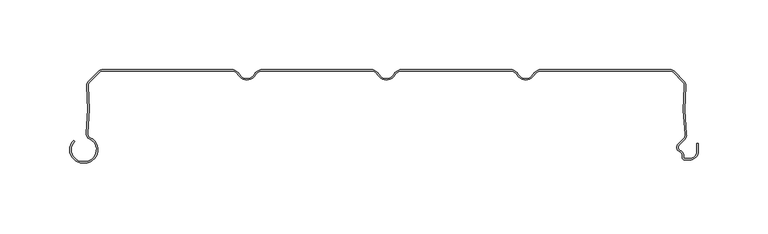
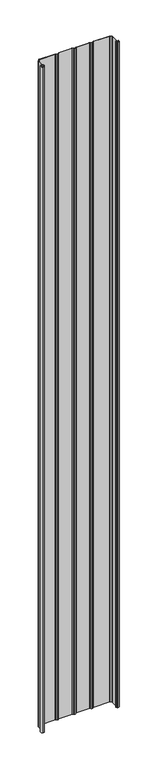
"""IFC4 building model written with IfcOpenShell, lengths in millimetres: plate geometry."""

from ifc_helpers import new_model, si_unit, point, frame_2d, origin, origin_with_axes, place, context, project, spatial, polyline, circle_curve, trimmed, segment, composite_curve, outline, extrude, source, transform, mapped, element, save


def plate_1b81568b(model_context):
    return source(origin(), model_context, "Body", "SweptSolid", [
        extrude(outline(composite_curve([segment(polyline([(-217.5602537, -66.1554676), (-216.3062537, -66.1554676)]), True, "CONTINUOUS"), segment(trimmed(circle_curve(frame_2d((-216.3062537, -57.6554676)), 8.5), [point((-216.3062537, -66.1554676))], [point((-212.7922984, -49.9158218))], True, "CARTESIAN"), True, "CONTINUOUS"), segment(trimmed(circle_curve(frame_2d((-211.0973318, -46.1825808)), 4.1), [point((-212.7922984, -49.9158218))], [point((-215.16634, -45.6794186))], False, "CARTESIAN"), True, "CONTINUOUS"), segment(trimmed(circle_curve(frame_2d((-364.0324936, -27.2710429)), 150.0), [point((-215.16634, -45.6794186))], [point((-214.8298401, -11.8253904))], True, "CARTESIAN"), True, "CONTINUOUS"), segment(trimmed(circle_curve(frame_2d((-210.7516343, -11.4032093)), 4.1), [point((-214.8298401, -11.8253904))], [point((-213.6507721, -8.5040715))], False, "CARTESIAN"), True, "CONTINUOUS"), segment(polyline([(-213.6507721, -8.5040715), (-206.3475628, -1.2008622)]), True, "CONTINUOUS"), segment(trimmed(circle_curve(frame_2d((-203.448425, -4.1)), 4.1), [point((-206.3475628, -1.2008622))], [point((-203.448425, 0.0))], False, "CARTESIAN"), True, "CONTINUOUS"), segment(polyline([(-203.448425, 0.0), (-111.2583302, 0.0)]), True, "CONTINUOUS"), segment(trimmed(circle_curve(frame_2d((-111.2583302, -7.0)), 7.0), [point((-111.2583302, 0.0))], [point((-105.1961524, -3.5))], False, "CARTESIAN"), True, "CONTINUOUS"), segment(trimmed(circle_curve(frame_2d((-100.0, -0.5)), 6.0), [point((-105.1961524, -3.5))], [point((-100.0, -6.5))], True, "CARTESIAN"), True, "CONTINUOUS"), segment(trimmed(circle_curve(frame_2d((-100.0, -0.5)), 6.0), [point((-100.0, -6.5))], [point((-94.8038476, -3.5))], True, "CARTESIAN"), True, "CONTINUOUS"), segment(trimmed(circle_curve(frame_2d((-88.7416698, -7.0)), 7.0), [point((-94.8038476, -3.5))], [point((-88.7416698, 0.0))], False, "CARTESIAN"), True, "CONTINUOUS"), segment(polyline([(-88.7416698, 0.0), (-11.2583302, 0.0)]), True, "CONTINUOUS"), segment(trimmed(circle_curve(frame_2d((-11.2583302, -7.0)), 7.0), [point((-11.2583302, 0.0))], [point((-5.1961524, -3.5))], False, "CARTESIAN"), True, "CONTINUOUS"), segment(trimmed(circle_curve(frame_2d((0.0, -0.5)), 6.0), [point((-5.1961524, -3.5))], [point((0.0, -6.5))], True, "CARTESIAN"), True, "CONTINUOUS"), segment(trimmed(circle_curve(frame_2d((0.0, -0.5)), 6.0), [point((0.0, -6.5))], [point((5.1961524, -3.5))], True, "CARTESIAN"), True, "CONTINUOUS"), segment(trimmed(circle_curve(frame_2d((11.2583302, -7.0)), 7.0), [point((5.1961524, -3.5))], [point((11.2583302, 0.0))], False, "CARTESIAN"), True, "CONTINUOUS"), segment(polyline([(11.2583302, 0.0), (88.7416698, 0.0)]), True, "CONTINUOUS"), segment(trimmed(circle_curve(frame_2d((88.7416698, -7.0)), 7.0), [point((88.7416698, 0.0))], [point((94.8038476, -3.5))], False, "CARTESIAN"), True, "CONTINUOUS"), segment(trimmed(circle_curve(frame_2d((100.0, -0.5)), 6.0), [point((94.8038476, -3.5))], [point((100.0, -6.5))], True, "CARTESIAN"), True, "CONTINUOUS"), segment(trimmed(circle_curve(frame_2d((100.0, -0.5)), 6.0), [point((100.0, -6.5))], [point((105.1961524, -3.5))], True, "CARTESIAN"), True, "CONTINUOUS"), segment(trimmed(circle_curve(frame_2d((111.2583302, -7.0)), 7.0), [point((105.1961524, -3.5))], [point((111.2583302, 0.0))], False, "CARTESIAN"), True, "CONTINUOUS"), segment(polyline([(111.2583302, 0.0), (203.448425, 0.0)]), True, "CONTINUOUS"), segment(trimmed(circle_curve(frame_2d((203.448425, -4.1)), 4.1), [point((203.448425, 0.0))], [point((206.3475628, -1.2008622))], False, "CARTESIAN"), True, "CONTINUOUS"), segment(polyline([(206.3475628, -1.2008622), (213.6502641, -8.5035635)]), True, "CONTINUOUS"), segment(trimmed(circle_curve(frame_2d((210.7511263, -11.4027013)), 4.1), [point((213.6502641, -8.5035635))], [point((214.8293419, -11.8247881))], False, "CARTESIAN"), True, "CONTINUOUS"), segment(trimmed(circle_curve(frame_2d((364.0323527, -27.2669893)), 150.0), [point((214.8293419, -11.8247881))], [point((215.2850443, -46.6122279))], True, "CARTESIAN"), True, "CONTINUOUS"), segment(trimmed(circle_curve(frame_2d((210.9914802, -47.1706247)), 4.3297228), [point((215.2850443, -46.6122279))], [point((213.9270443, -50.3532279))], False, "CARTESIAN"), True, "CONTINUOUS"), segment(polyline([(213.9270443, -50.3532279), (209.893169, -54.3871033)]), True, "CONTINUOUS"), segment(trimmed(circle_curve(frame_2d((211.4488039, -55.9427382)), 2.2), [point((209.893169, -54.3871033))], [point((210.6238714, -57.98222))], True, "CARTESIAN"), True, "CONTINUOUS"), segment(trimmed(circle_curve(frame_2d((209.0490001, -61.8757763)), 4.2), [point((210.6238714, -57.98222))], [point((213.2490002, -61.8757763))], False, "CARTESIAN"), True, "CONTINUOUS"), segment(polyline([(213.2490002, -61.8757763), (213.2490002, -63.0)]), True, "CONTINUOUS"), segment(trimmed(circle_curve(frame_2d((214.2490002, -63.0)), 1.0), [point((213.2490002, -63.0))], [point((214.2490002, -64.0))], True, "CARTESIAN"), True, "CONTINUOUS"), segment(polyline([(214.2490002, -64.0), (217.5500002, -64.0)]), True, "CONTINUOUS"), segment(trimmed(circle_curve(frame_2d((217.5500002, -58.8)), 5.2), [point((217.5500002, -64.0))], [point((222.7500002, -58.8))], True, "CARTESIAN"), True, "CONTINUOUS"), segment(polyline([(222.7500002, -58.8), (222.7500002, -53.169), (223.7500002, -53.169), (223.7500002, -58.8)]), True, "CONTINUOUS"), segment(trimmed(circle_curve(frame_2d((217.5500002, -58.8)), 6.2), [point((223.7500002, -58.8))], [point((217.5500002, -65.0))], False, "CARTESIAN"), True, "CONTINUOUS"), segment(polyline([(217.5500002, -65.0), (214.2490002, -65.0)]), True, "CONTINUOUS"), segment(trimmed(circle_curve(frame_2d((214.2490002, -63.0)), 2.0), [point((214.2490002, -65.0))], [point((212.2490002, -63.0))], False, "CARTESIAN"), True, "CONTINUOUS"), segment(polyline([(212.2490002, -63.0), (212.2490002, -61.8757763)]), True, "CONTINUOUS"), segment(trimmed(circle_curve(frame_2d((209.0490001, -61.8757763)), 3.2), [point((212.2490002, -61.8757763))], [point((210.248902, -58.9092572))], True, "CARTESIAN"), True, "CONTINUOUS"), segment(trimmed(circle_curve(frame_2d((211.4488039, -55.9427382)), 3.2), [point((210.248902, -58.9092572))], [point((209.1860622, -53.6799965))], False, "CARTESIAN"), True, "CONTINUOUS"), segment(polyline([(209.1860622, -53.6799965), (213.2351435, -49.6309152)]), True, "CONTINUOUS"), segment(trimmed(circle_curve(frame_2d((210.9914802, -47.1706247)), 3.3297228), [point((213.2351435, -49.6309152))], [point((214.2933956, -46.7411962))], True, "CARTESIAN"), True, "CONTINUOUS"), segment(trimmed(circle_curve(frame_2d((364.0323527, -27.2669893)), 151.0), [point((214.2933956, -46.7411962))], [point((213.8346552, -11.7218401))], False, "CARTESIAN"), True, "CONTINUOUS"), segment(trimmed(circle_curve(frame_2d((210.7511263, -11.4027013)), 3.1), [point((213.8346552, -11.7218401))], [point((212.9431573, -9.2106703))], True, "CARTESIAN"), True, "CONTINUOUS"), segment(polyline([(212.9431573, -9.2106703), (205.640456, -1.907969)]), True, "CONTINUOUS"), segment(trimmed(circle_curve(frame_2d((203.448425, -4.1)), 3.1), [point((205.640456, -1.907969))], [point((203.448425, -1.0))], True, "CARTESIAN"), True, "CONTINUOUS"), segment(polyline([(203.448425, -1.0), (111.2583302, -1.0)]), True, "CONTINUOUS"), segment(trimmed(circle_curve(frame_2d((111.2583302, -7.0)), 6.0), [point((111.2583302, -1.0))], [point((106.0621778, -4.0))], True, "CARTESIAN"), True, "CONTINUOUS"), segment(trimmed(circle_curve(frame_2d((100.0, -0.5)), 7.0), [point((106.0621778, -4.0))], [point((100.0, -7.5))], False, "CARTESIAN"), True, "CONTINUOUS"), segment(trimmed(circle_curve(frame_2d((100.0, -0.5)), 7.0), [point((100.0, -7.5))], [point((93.9378222, -4.0))], False, "CARTESIAN"), True, "CONTINUOUS"), segment(trimmed(circle_curve(frame_2d((88.7416698, -7.0)), 6.0), [point((93.9378222, -4.0))], [point((88.7416698, -1.0))], True, "CARTESIAN"), True, "CONTINUOUS"), segment(polyline([(88.7416698, -1.0), (11.2583302, -1.0)]), True, "CONTINUOUS"), segment(trimmed(circle_curve(frame_2d((11.2583302, -7.0)), 6.0), [point((11.2583302, -1.0))], [point((6.0621778, -4.0))], True, "CARTESIAN"), True, "CONTINUOUS"), segment(trimmed(circle_curve(frame_2d((0.0, -0.5)), 7.0), [point((6.0621778, -4.0))], [point((0.0, -7.5))], False, "CARTESIAN"), True, "CONTINUOUS"), segment(trimmed(circle_curve(frame_2d((0.0, -0.5)), 7.0), [point((0.0, -7.5))], [point((-6.0621778, -4.0))], False, "CARTESIAN"), True, "CONTINUOUS"), segment(trimmed(circle_curve(frame_2d((-11.2583302, -7.0)), 6.0), [point((-6.0621778, -4.0))], [point((-11.2583302, -1.0))], True, "CARTESIAN"), True, "CONTINUOUS"), segment(polyline([(-11.2583302, -1.0), (-88.7416698, -1.0)]), True, "CONTINUOUS"), segment(trimmed(circle_curve(frame_2d((-88.7416698, -7.0)), 6.0), [point((-88.7416698, -1.0))], [point((-93.9378222, -4.0))], True, "CARTESIAN"), True, "CONTINUOUS"), segment(trimmed(circle_curve(frame_2d((-100.0, -0.5)), 7.0), [point((-93.9378222, -4.0))], [point((-100.0, -7.5))], False, "CARTESIAN"), True, "CONTINUOUS"), segment(trimmed(circle_curve(frame_2d((-100.0, -0.5)), 7.0), [point((-100.0, -7.5))], [point((-106.0621778, -4.0))], False, "CARTESIAN"), True, "CONTINUOUS"), segment(trimmed(circle_curve(frame_2d((-111.2583302, -7.0)), 6.0), [point((-106.0621778, -4.0))], [point((-111.2583302, -1.0))], True, "CARTESIAN"), True, "CONTINUOUS"), segment(polyline([(-111.2583302, -1.0), (-203.448425, -1.0)]), True, "CONTINUOUS"), segment(trimmed(circle_curve(frame_2d((-203.448425, -4.1)), 3.1), [point((-203.448425, -1.0))], [point((-205.640456, -1.907969))], True, "CARTESIAN"), True, "CONTINUOUS"), segment(polyline([(-205.640456, -1.907969), (-212.9436653, -9.2111782)]), True, "CONTINUOUS"), segment(trimmed(circle_curve(frame_2d((-210.7516343, -11.4032093)), 3.1), [point((-212.9436653, -9.2111782))], [point((-213.8351558, -11.7224194))], True, "CARTESIAN"), True, "CONTINUOUS"), segment(trimmed(circle_curve(frame_2d((-364.0324936, -27.2710429)), 151.0), [point((-213.8351558, -11.7224194))], [point((-214.173899, -45.8021411))], False, "CARTESIAN"), True, "CONTINUOUS"), segment(trimmed(circle_curve(frame_2d((-211.0973318, -46.1825808)), 3.1), [point((-214.173899, -45.8021411))], [point((-212.3788919, -49.0052752))], True, "CARTESIAN"), True, "CONTINUOUS"), segment(trimmed(circle_curve(frame_2d((-216.3062537, -57.6554676)), 9.5), [point((-212.3788919, -49.0052752))], [point((-216.3062537, -67.1554676))], False, "CARTESIAN"), True, "CONTINUOUS"), segment(polyline([(-216.3062537, -67.1554676), (-217.5602537, -67.1554676)]), True, "CONTINUOUS"), segment(trimmed(circle_curve(frame_2d((-217.5602537, -57.6554676)), 9.5), [point((-217.5602537, -67.1554676))], [point((-224.2777682, -50.9379532))], False, "CARTESIAN"), True, "CONTINUOUS"), segment(polyline([(-224.2777682, -50.9379532), (-223.5706614, -51.64506)]), True, "CONTINUOUS"), segment(trimmed(circle_curve(frame_2d((-217.5602537, -57.6554676)), 8.5), [point((-223.5706614, -51.64506))], [point((-217.5602537, -66.1554676))], True, "CARTESIAN"), True, "CONTINUOUS")], self_intersect=False)), origin_with_axes(), (0.0, 0.0, 1.0), 4061.7064475),
    ])


if __name__ == "__main__":
    model = new_model("IFC4")
    model_context = context("Model", 3, world=origin())
    ifc_project = project(units=[si_unit("LENGTHUNIT", "METRE", prefix="MILLI")], contexts=[model_context])
    site = spatial("IfcSite", under=ifc_project)
    building = spatial("IfcBuilding", under=site)
    placement = place(None, origin())
    plate_shape = plate_1b81568b(model_context)
    element("IfcPlate", 1, at=placement, inside=building, context=model_context, shape_type="MappedRepresentation", body=[
        mapped(plate_shape, transform((0.0, 0.0, 0.0), x_axis=(1.0, 0.0, 0.0), y_axis=(0.0, 1.0, 0.0), z_axis=(0.0, 0.0, 1.0))),
    ])
    save(model, "model.ifc")
